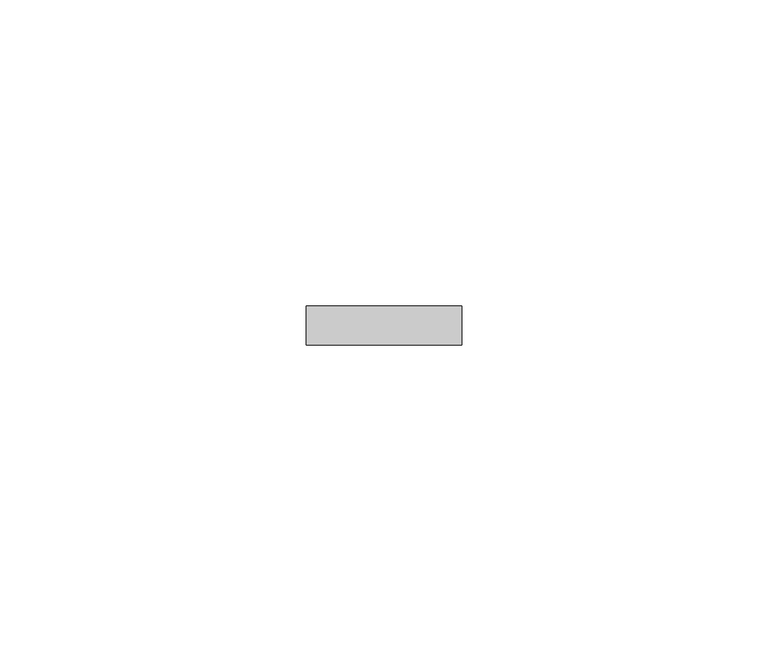
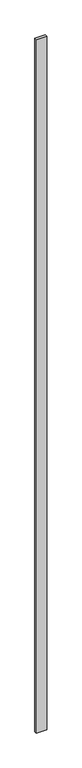
"""IFC4 building model written with IfcOpenShell, lengths in millimetres: proxy geometry."""

from ifc_helpers import new_model, si_unit, origin, origin_with_axes, place, context, project, spatial, polyline, outline, extrude, source, transform, mapped, element, save


def specialty_equipment_d9b23d95(model_context):
    return source(origin(), model_context, "Body", "SweptSolid", [
        extrude(outline(polyline([(12.7, 6.35), (12.7, 0.0), (-12.7, 0.0), (-12.7, 6.35), (12.7, 6.35)])), origin_with_axes(), (0.0, 0.0, 1.0), 1816.1),
    ])


if __name__ == "__main__":
    model = new_model("IFC4")
    model_context = context("Model", 3, world=origin())
    ifc_project = project(units=[si_unit("LENGTHUNIT", "METRE", prefix="MILLI")], contexts=[model_context])
    site = spatial("IfcSite", under=ifc_project)
    building = spatial("IfcBuilding", under=site)
    placement = place(None, origin())
    specialty_equipment_shape = specialty_equipment_d9b23d95(model_context)
    element("IfcBuildingElementProxy", 1, Name="Specialty Equipment", at=placement, inside=building, context=model_context, shape_type="MappedRepresentation", body=[
        mapped(specialty_equipment_shape, transform((0.0, 0.0, 0.0), x_axis=(1.0, 0.0, 0.0), y_axis=(0.0, 1.0, 0.0), z_axis=(0.0, 0.0, 1.0))),
    ])
    save(model, "model.ifc")
